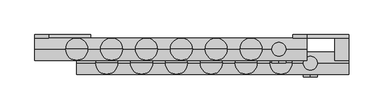
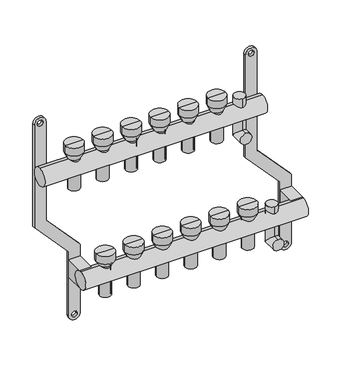
"""IFC4 building model written with IfcOpenShell, lengths in millimetres: proxy geometry."""

from ifc_helpers import new_model, si_unit, point, frame, frame_2d, origin, origin_2d, place, context, project, spatial, polyline, circle_curve, ellipse_curve, trimmed, segment, composite_curve, outline, extrude, source, transform, mapped, element, save
from ifc_brep_helpers import plane_surface, cylinder_surface, revolved_surface, advanced_brep


def mechanical_equipment_b22bc3bf(model_context):
    return source(origin(), model_context, "Body", "SolidModel", [
        extrude(outline(composite_curve([segment(trimmed(circle_curve(frame_2d((86.2845679, 370.0)), 10.0), [point((86.2845679, 380.0))], [point((86.2845679, 360.0))], False, "CARTESIAN"), True, "CONTINUOUS"), segment(polyline([(86.2845679, 360.0), (-103.7138261, 360.0), (-169.0329221, 420.0), (-287.9537524, 420.0)]), True, "CONTINUOUS"), segment(trimmed(circle_curve(frame_2d((-287.9537524, 430.0)), 10.0), [point((-287.9537524, 420.0))], [point((-287.9537524, 440.0))], False, "CARTESIAN"), True, "CONTINUOUS"), segment(polyline([(-287.9537524, 440.0), (-162.5345282, 440.0), (-97.2154321, 380.0), (86.2845679, 380.0)]), True, "CONTINUOUS")], self_intersect=False), holes=[composite_curve([segment(trimmed(circle_curve(frame_2d((86.2845679, 370.0)), 5.0), [point((86.2845679, 365.0))], [point((86.2845679, 375.0))], True, "CARTESIAN"), True, "CONTINUOUS"), segment(trimmed(circle_curve(frame_2d((86.2845679, 370.0)), 5.0), [point((86.2845679, 375.0))], [point((86.2845679, 365.0))], True, "CARTESIAN"), True, "CONTINUOUS")], self_intersect=False), composite_curve([segment(trimmed(circle_curve(frame_2d((-287.9537524, 430.0)), 5.0), [point((-287.9537524, 425.0))], [point((-287.9537524, 435.0))], True, "CARTESIAN"), True, "CONTINUOUS"), segment(trimmed(circle_curve(frame_2d((-287.9537524, 430.0)), 5.0), [point((-287.9537524, 435.0))], [point((-287.9537524, 425.0))], True, "CARTESIAN"), True, "CONTINUOUS")], self_intersect=False)]), frame((0.0, 16.0, 0.0), z_axis=(0.0, 1.0, 0.0), x_axis=(0.0, 0.0, 1.0)), (0.0, 0.0, 1.0), 4.847249),
        advanced_brep(
        [(385.0, -40.0, -250.0), (385.0, -40.0, -230.0), (385.0, -10.0, -250.0), (385.0, -30.0, -230.0), (385.0, -10.0, -175.079492), (385.0, -30.0, -175.079492)],
        [
            (0, 1, circle_curve(frame((385.0, -40.0, -240.0), z_axis=(0.0, -1.0, 0.0), x_axis=(0.0, 0.0, 1.0)), 10.0)),
            (1, 0, circle_curve(frame((385.0, -40.0, -240.0), z_axis=(0.0, -1.0, 0.0), x_axis=(0.0, 0.0, 1.0)), 10.0)),
            (0, 2),
            (2, 3, ellipse_curve(frame((385.0, -20.0, -240.0), z_axis=(0.0, -0.7071067811865475, -0.7071067811865475), x_axis=(0.0, -0.7071067811865476, 0.7071067811865474)), 14.1421356, 10.0)),
            (3, 1),
            (3, 2, ellipse_curve(frame((385.0, -20.0, -240.0), z_axis=(0.0, -0.7071067811865475, -0.7071067811865475), x_axis=(0.0, -0.7071067811865476, 0.7071067811865474)), 14.1421356, 10.0)),
            (4, 5, circle_curve(frame((385.0, -20.0, -175.079492), z_axis=(0.0, 0.0, 1.0), x_axis=(0.0, -1.0, 0.0)), 10.0)),
            (5, 4, circle_curve(frame((385.0, -20.0, -175.079492), z_axis=(0.0, 0.0, 1.0), x_axis=(0.0, -1.0, 0.0)), 10.0)),
            (2, 4),
            (5, 3),
        ],
        [
            plane_surface(frame((385.0, -40.0, -240.0), z_axis=(0.0, -1.0, 0.0), x_axis=(1.0, 0.0, 0.0))),
            cylinder_surface(frame((385.0, -40.0, -240.0), z_axis=(0.0, -1.0, 0.0), x_axis=(0.0, 0.0, 1.0)), 10.0),
            plane_surface(frame((385.0, -20.0, -175.079492), z_axis=(0.0, 0.0, 1.0), x_axis=(1.0, 0.0, 0.0))),
            cylinder_surface(frame((385.0, -20.0, -240.0), z_axis=(0.0, 0.0, -1.0), x_axis=(0.0, -1.0, 0.0)), 10.0),
        ],
        [
            (0, [[1, 2]]),
            (1, [[-1, 3, 4, 5]]),
            (1, [[-2, -5, 6, -3]]),
            (2, [[7, 8]]),
            (3, [[-4, 9, -8, 10]]),
            (3, [[-6, -10, -7, -9]]),
        ],
    ),
        advanced_brep(
        [(340.0, -20.0, -50.0), (340.0, -20.0, -30.0), (340.0, 10.0, -50.0), (340.0, -10.0, -30.0), (340.0, 10.0, 28.420508), (340.0, -10.0, 28.420508)],
        [
            (0, 1, circle_curve(frame((340.0, -20.0, -40.0), z_axis=(0.0, -1.0, 0.0), x_axis=(0.0, 0.0, 1.0)), 10.0)),
            (1, 0, circle_curve(frame((340.0, -20.0, -40.0), z_axis=(0.0, -1.0, 0.0), x_axis=(0.0, 0.0, 1.0)), 10.0)),
            (0, 2),
            (2, 3, ellipse_curve(frame((340.0, 0.0, -40.0), z_axis=(0.0, -0.7071067811865486, -0.7071067811865464), x_axis=(0.0, -0.7071067811865466, 0.7071067811865485)), 14.1421356, 10.0)),
            (3, 1),
            (3, 2, ellipse_curve(frame((340.0, 0.0, -40.0), z_axis=(0.0, -0.7071067811865486, -0.7071067811865464), x_axis=(0.0, -0.7071067811865466, 0.7071067811865485)), 14.1421356, 10.0)),
            (4, 5, circle_curve(frame((340.0, 0.0, 28.420508), z_axis=(0.0, 0.0, 1.0), x_axis=(0.0, -1.0, 0.0)), 10.0)),
            (5, 4, circle_curve(frame((340.0, 0.0, 28.420508), z_axis=(0.0, 0.0, 1.0), x_axis=(0.0, -1.0, 0.0)), 10.0)),
            (2, 4),
            (5, 3),
        ],
        [
            plane_surface(frame((340.0, -20.0, -40.0), z_axis=(0.0, -1.0, 0.0), x_axis=(1.0, 0.0, 0.0))),
            cylinder_surface(frame((340.0, -20.0, -40.0), z_axis=(0.0, -1.0, 0.0), x_axis=(0.0, 0.0, 1.0)), 10.0),
            plane_surface(frame((340.0, 0.0, 28.420508), z_axis=(0.0, 0.0, 1.0), x_axis=(1.0, 0.0, 0.0))),
            cylinder_surface(frame((340.0, 0.0, -40.0), z_axis=(0.0, 0.0, -1.0), x_axis=(0.0, -1.0, 0.0)), 10.0),
        ],
        [
            (0, [[1, 2]]),
            (1, [[-1, 3, 4, 5]]),
            (1, [[-2, -5, 6, -3]]),
            (2, [[7, 8]]),
            (3, [[-4, 9, -8, 10]]),
            (3, [[-6, -10, -7, -9]]),
        ],
    ),
        extrude(outline(composite_curve([segment(trimmed(circle_curve(frame_2d((-20.0, -200.0)), 16.0), [point((-20.0, -216.0))], [point((-20.0, -184.0))], False, "CARTESIAN"), True, "CONTINUOUS"), segment(trimmed(circle_curve(frame_2d((-20.0, -200.0)), 16.0), [point((-20.0, -184.0))], [point((-20.0, -216.0))], False, "CARTESIAN"), True, "CONTINUOUS")], self_intersect=False)), frame((50.0, 0.0, 0.0), z_axis=(1.0, 0.0, 0.0), x_axis=(0.0, 1.0, 0.0)), (0.0, 0.0, 1.0), 390.0),
        extrude(outline(composite_curve([segment(trimmed(circle_curve(origin_2d(), 16.0), [point((0.0, -16.0))], [point((0.0, 16.0))], False, "CARTESIAN"), True, "CONTINUOUS"), segment(trimmed(circle_curve(origin_2d(), 16.0), [point((0.0, 16.0))], [point((0.0, -16.0))], False, "CARTESIAN"), True, "CONTINUOUS")], self_intersect=False)), frame((-10.0, 0.0, 0.0), z_axis=(1.0, 0.0, 0.0), x_axis=(0.0, 1.0, 0.0)), (0.0, 0.0, 1.0), 390.0),
        extrude(outline(polyline([(440.0, 16.0), (440.0, -20.0), (420.0, -20.0), (420.0, 16.0), (440.0, 16.0)])), frame((0.0, 0.0, -216.0), z_axis=(0.0, 0.0, 1.0), x_axis=(1.0, 0.0, 0.0)), (0.0, 0.0, 1.0), 32.0),
        extrude(outline(polyline([(70.0, 16.0), (70.0, -20.0), (50.0, -20.0), (50.0, 16.0), (70.0, 16.0)])), frame((0.0, 0.0, -216.0), z_axis=(0.0, 0.0, 1.0), x_axis=(1.0, 0.0, 0.0)), (0.0, 0.0, 1.0), 32.0),
        advanced_brep(
        [(308.0, 0.0, -40.0), (292.0, 0.0, -40.0), (292.0, 0.0, 16.0), (308.0, 0.0, 16.0), (310.0, 0.0, -40.0), (290.0, 0.0, -40.0), (310.0, 0.0, 16.0), (290.0, 0.0, 16.0), (315.791778, 0.0, 28.420508), (284.208222, 0.0, 28.420508), (315.791778, 0.0, 42.4712727), (284.208222, 0.0, 42.4712727), (300.0, 0.0, 42.4712727), (300.0, 0.0, 16.0)],
        [
            (0, 1, circle_curve(frame((300.0, 0.0, -40.0), z_axis=(0.0, 0.0, -1.0), x_axis=(-1.0, 0.0, 0.0)), 8.0)),
            (1, 2),
            (2, 3, circle_curve(frame((300.0, 0.0, 16.0), z_axis=(0.0, 0.0, 1.0), x_axis=(-1.0, 0.0, 0.0)), 8.0)),
            (3, 0),
            (1, 0, circle_curve(frame((300.0, 0.0, -40.0), z_axis=(0.0, 0.0, -1.0), x_axis=(-1.0, 0.0, 0.0)), 8.0)),
            (3, 2, circle_curve(frame((300.0, 0.0, 16.0), z_axis=(0.0, 0.0, 1.0), x_axis=(-1.0, 0.0, 0.0)), 8.0)),
            (4, 5, circle_curve(frame((300.0, 0.0, -40.0), z_axis=(0.0, 0.0, -1.0), x_axis=(-1.0, 0.0, 0.0)), 10.0)),
            (5, 1),
            (0, 4),
            (5, 4, circle_curve(frame((300.0, 0.0, -40.0), z_axis=(0.0, 0.0, -1.0), x_axis=(-1.0, 0.0, 0.0)), 10.0)),
            (6, 7, circle_curve(frame((300.0, 0.0, 16.0), z_axis=(0.0, 0.0, -1.0), x_axis=(-1.0, 0.0, 0.0)), 10.0)),
            (7, 5),
            (4, 6),
            (7, 6, circle_curve(frame((300.0, 0.0, 16.0), z_axis=(0.0, 0.0, -1.0), x_axis=(-1.0, 0.0, 0.0)), 10.0)),
            (8, 9, circle_curve(frame((300.0, 0.0, 28.420508), z_axis=(0.0, 0.0, -1.0), x_axis=(-1.0, 0.0, 0.0)), 15.791778)),
            (9, 7),
            (6, 8),
            (9, 8, circle_curve(frame((300.0, 0.0, 28.420508), z_axis=(0.0, 0.0, -1.0), x_axis=(-1.0, 0.0, 0.0)), 15.791778)),
            (10, 11, circle_curve(frame((300.0, 0.0, 42.4712727), z_axis=(0.0, 0.0, -1.0), x_axis=(-1.0, 0.0, 0.0)), 15.791778)),
            (11, 9),
            (8, 10),
            (11, 10, circle_curve(frame((300.0, 0.0, 42.4712727), z_axis=(0.0, 0.0, -1.0), x_axis=(-1.0, 0.0, 0.0)), 15.791778)),
            (12, 11),
            (10, 12),
            (2, 13),
            (13, 3),
        ],
        [
            revolved_surface(polyline([(292.0, 0.0, 16.0), (292.0, 0.0, -40.0)]), (300.0, 0.0, 0.0), (0.0, 0.0, 1.0)),
            plane_surface(frame((300.0, 0.0, -40.0), z_axis=(0.0, 0.0, -1.0), x_axis=(-1.0, 0.0, 0.0))),
            cylinder_surface(frame((300.0, 0.0, 0.0), z_axis=(0.0, 0.0, 1.0), x_axis=(-1.0, 0.0, 0.0)), 10.0),
            revolved_surface(polyline([(290.0, 0.0, 16.0), (284.208222, 0.0, 28.420508)]), (300.0, 0.0, 0.0), (0.0, 0.0, 1.0)),
            cylinder_surface(frame((300.0, 0.0, 0.0), z_axis=(0.0, 0.0, 1.0), x_axis=(-1.0, 0.0, 0.0)), 15.791778),
            plane_surface(frame((300.0, 0.0, 42.4712727), z_axis=(0.0, 0.0, 1.0), x_axis=(-1.0, 0.0, 0.0))),
            plane_surface(frame((300.0, 0.0, 16.0), z_axis=(0.0, 0.0, -1.0), x_axis=(-1.0, 0.0, 0.0))),
        ],
        [
            (0, [[1, 2, 3, 4]]),
            (0, [[5, -4, 6, -2]]),
            (1, [[7, 8, -1, 9]]),
            (1, [[10, -9, -5, -8]]),
            (2, [[11, 12, -7, 13]]),
            (2, [[14, -13, -10, -12]]),
            (3, [[15, 16, -11, 17]]),
            (3, [[18, -17, -14, -16]]),
            (4, [[19, 20, -15, 21]]),
            (4, [[22, -21, -18, -20]]),
            (5, [[23, -19, 24]]),
            (5, [[-24, -22, -23]]),
            (6, [[-3, 25, 26]]),
            (6, [[-6, -26, -25]]),
        ],
    ),
        advanced_brep(
        [(258.0, 0.0, -40.0), (242.0, 0.0, -40.0), (242.0, 0.0, 16.0), (258.0, 0.0, 16.0), (260.0, 0.0, -40.0), (240.0, 0.0, -40.0), (260.0, 0.0, 16.0), (240.0, 0.0, 16.0), (265.791778, 0.0, 28.420508), (234.208222, 0.0, 28.420508), (265.791778, 0.0, 42.4712727), (234.208222, 0.0, 42.4712727), (250.0, 0.0, 42.4712727), (250.0, 0.0, 16.0)],
        [
            (0, 1, circle_curve(frame((250.0, 0.0, -40.0), z_axis=(0.0, 0.0, -1.0), x_axis=(-1.0, 0.0, 0.0)), 8.0)),
            (1, 2),
            (2, 3, circle_curve(frame((250.0, 0.0, 16.0), z_axis=(0.0, 0.0, 1.0), x_axis=(-1.0, 0.0, 0.0)), 8.0)),
            (3, 0),
            (1, 0, circle_curve(frame((250.0, 0.0, -40.0), z_axis=(0.0, 0.0, -1.0), x_axis=(-1.0, 0.0, 0.0)), 8.0)),
            (3, 2, circle_curve(frame((250.0, 0.0, 16.0), z_axis=(0.0, 0.0, 1.0), x_axis=(-1.0, 0.0, 0.0)), 8.0)),
            (4, 5, circle_curve(frame((250.0, 0.0, -40.0), z_axis=(0.0, 0.0, -1.0), x_axis=(-1.0, 0.0, 0.0)), 10.0)),
            (5, 1),
            (0, 4),
            (5, 4, circle_curve(frame((250.0, 0.0, -40.0), z_axis=(0.0, 0.0, -1.0), x_axis=(-1.0, 0.0, 0.0)), 10.0)),
            (6, 7, circle_curve(frame((250.0, 0.0, 16.0), z_axis=(0.0, 0.0, -1.0), x_axis=(-1.0, 0.0, 0.0)), 10.0)),
            (7, 5),
            (4, 6),
            (7, 6, circle_curve(frame((250.0, 0.0, 16.0), z_axis=(0.0, 0.0, -1.0), x_axis=(-1.0, 0.0, 0.0)), 10.0)),
            (8, 9, circle_curve(frame((250.0, 0.0, 28.420508), z_axis=(0.0, 0.0, -1.0), x_axis=(-1.0, 0.0, 0.0)), 15.791778)),
            (9, 7),
            (6, 8),
            (9, 8, circle_curve(frame((250.0, 0.0, 28.420508), z_axis=(0.0, 0.0, -1.0), x_axis=(-1.0, 0.0, 0.0)), 15.791778)),
            (10, 11, circle_curve(frame((250.0, 0.0, 42.4712727), z_axis=(0.0, 0.0, -1.0), x_axis=(-1.0, 0.0, 0.0)), 15.791778)),
            (11, 9),
            (8, 10),
            (11, 10, circle_curve(frame((250.0, 0.0, 42.4712727), z_axis=(0.0, 0.0, -1.0), x_axis=(-1.0, 0.0, 0.0)), 15.791778)),
            (12, 11),
            (10, 12),
            (2, 13),
            (13, 3),
        ],
        [
            revolved_surface(polyline([(242.0, 0.0, 16.0), (242.0, 0.0, -40.0)]), (250.0, 0.0, 0.0), (0.0, 0.0, 1.0)),
            plane_surface(frame((250.0, 0.0, -40.0), z_axis=(0.0, 0.0, -1.0), x_axis=(-1.0, 0.0, 0.0))),
            cylinder_surface(frame((250.0, 0.0, 0.0), z_axis=(0.0, 0.0, 1.0), x_axis=(-1.0, 0.0, 0.0)), 10.0),
            revolved_surface(polyline([(240.0, 0.0, 16.0), (234.208222, 0.0, 28.420508)]), (250.0, 0.0, 0.0), (0.0, 0.0, 1.0)),
            cylinder_surface(frame((250.0, 0.0, 0.0), z_axis=(0.0, 0.0, 1.0), x_axis=(-1.0, 0.0, 0.0)), 15.791778),
            plane_surface(frame((250.0, 0.0, 42.4712727), z_axis=(0.0, 0.0, 1.0), x_axis=(-1.0, 0.0, 0.0))),
            plane_surface(frame((250.0, 0.0, 16.0), z_axis=(0.0, 0.0, -1.0), x_axis=(-1.0, 0.0, 0.0))),
        ],
        [
            (0, [[1, 2, 3, 4]]),
            (0, [[5, -4, 6, -2]]),
            (1, [[7, 8, -1, 9]]),
            (1, [[10, -9, -5, -8]]),
            (2, [[11, 12, -7, 13]]),
            (2, [[14, -13, -10, -12]]),
            (3, [[15, 16, -11, 17]]),
            (3, [[18, -17, -14, -16]]),
            (4, [[19, 20, -15, 21]]),
            (4, [[22, -21, -18, -20]]),
            (5, [[23, -19, 24]]),
            (5, [[-24, -22, -23]]),
            (6, [[-3, 25, 26]]),
            (6, [[-6, -26, -25]]),
        ],
    ),
        advanced_brep(
        [(208.0, 0.0, -40.0), (192.0, 0.0, -40.0), (192.0, 0.0, 16.0), (208.0, 0.0, 16.0), (210.0, 0.0, -40.0), (190.0, 0.0, -40.0), (210.0, 0.0, 16.0), (190.0, 0.0, 16.0), (215.791778, 0.0, 28.420508), (184.208222, 0.0, 28.420508), (215.791778, 0.0, 42.4712727), (184.208222, 0.0, 42.4712727), (200.0, 0.0, 42.4712727), (200.0, 0.0, 16.0)],
        [
            (0, 1, circle_curve(frame((200.0, 0.0, -40.0), z_axis=(0.0, 0.0, -1.0), x_axis=(-1.0, 0.0, 0.0)), 8.0)),
            (1, 2),
            (2, 3, circle_curve(frame((200.0, 0.0, 16.0), z_axis=(0.0, 0.0, 1.0), x_axis=(-1.0, 0.0, 0.0)), 8.0)),
            (3, 0),
            (1, 0, circle_curve(frame((200.0, 0.0, -40.0), z_axis=(0.0, 0.0, -1.0), x_axis=(-1.0, 0.0, 0.0)), 8.0)),
            (3, 2, circle_curve(frame((200.0, 0.0, 16.0), z_axis=(0.0, 0.0, 1.0), x_axis=(-1.0, 0.0, 0.0)), 8.0)),
            (4, 5, circle_curve(frame((200.0, 0.0, -40.0), z_axis=(0.0, 0.0, -1.0), x_axis=(-1.0, 0.0, 0.0)), 10.0)),
            (5, 1),
            (0, 4),
            (5, 4, circle_curve(frame((200.0, 0.0, -40.0), z_axis=(0.0, 0.0, -1.0), x_axis=(-1.0, 0.0, 0.0)), 10.0)),
            (6, 7, circle_curve(frame((200.0, 0.0, 16.0), z_axis=(0.0, 0.0, -1.0), x_axis=(-1.0, 0.0, 0.0)), 10.0)),
            (7, 5),
            (4, 6),
            (7, 6, circle_curve(frame((200.0, 0.0, 16.0), z_axis=(0.0, 0.0, -1.0), x_axis=(-1.0, 0.0, 0.0)), 10.0)),
            (8, 9, circle_curve(frame((200.0, 0.0, 28.420508), z_axis=(0.0, 0.0, -1.0), x_axis=(-1.0, 0.0, 0.0)), 15.791778)),
            (9, 7),
            (6, 8),
            (9, 8, circle_curve(frame((200.0, 0.0, 28.420508), z_axis=(0.0, 0.0, -1.0), x_axis=(-1.0, 0.0, 0.0)), 15.791778)),
            (10, 11, circle_curve(frame((200.0, 0.0, 42.4712727), z_axis=(0.0, 0.0, -1.0), x_axis=(-1.0, 0.0, 0.0)), 15.791778)),
            (11, 9),
            (8, 10),
            (11, 10, circle_curve(frame((200.0, 0.0, 42.4712727), z_axis=(0.0, 0.0, -1.0), x_axis=(-1.0, 0.0, 0.0)), 15.791778)),
            (12, 11),
            (10, 12),
            (2, 13),
            (13, 3),
        ],
        [
            revolved_surface(polyline([(192.0, 0.0, 16.0), (192.0, 0.0, -40.0)]), (200.0, 0.0, 0.0), (0.0, 0.0, 1.0)),
            plane_surface(frame((200.0, 0.0, -40.0), z_axis=(0.0, 0.0, -1.0), x_axis=(-1.0, 0.0, 0.0))),
            cylinder_surface(frame((200.0, 0.0, 0.0), z_axis=(0.0, 0.0, 1.0), x_axis=(-1.0, 0.0, 0.0)), 10.0),
            revolved_surface(polyline([(190.0, 0.0, 16.0), (184.208222, 0.0, 28.420508)]), (200.0, 0.0, 0.0), (0.0, 0.0, 1.0)),
            cylinder_surface(frame((200.0, 0.0, 0.0), z_axis=(0.0, 0.0, 1.0), x_axis=(-1.0, 0.0, 0.0)), 15.791778),
            plane_surface(frame((200.0, 0.0, 42.4712727), z_axis=(0.0, 0.0, 1.0), x_axis=(-1.0, 0.0, 0.0))),
            plane_surface(frame((200.0, 0.0, 16.0), z_axis=(0.0, 0.0, -1.0), x_axis=(-1.0, 0.0, 0.0))),
        ],
        [
            (0, [[1, 2, 3, 4]]),
            (0, [[5, -4, 6, -2]]),
            (1, [[7, 8, -1, 9]]),
            (1, [[10, -9, -5, -8]]),
            (2, [[11, 12, -7, 13]]),
            (2, [[14, -13, -10, -12]]),
            (3, [[15, 16, -11, 17]]),
            (3, [[18, -17, -14, -16]]),
            (4, [[19, 20, -15, 21]]),
            (4, [[22, -21, -18, -20]]),
            (5, [[23, -19, 24]]),
            (5, [[-24, -22, -23]]),
            (6, [[-3, 25, 26]]),
            (6, [[-6, -26, -25]]),
        ],
    ),
        advanced_brep(
        [(158.0, 0.0, -40.0), (142.0, 0.0, -40.0), (142.0, 0.0, 16.0), (158.0, 0.0, 16.0), (160.0, 0.0, -40.0), (140.0, 0.0, -40.0), (160.0, 0.0, 16.0), (140.0, 0.0, 16.0), (165.791778, 0.0, 28.420508), (134.208222, 0.0, 28.420508), (165.791778, 0.0, 42.4712727), (134.208222, 0.0, 42.4712727), (150.0, 0.0, 42.4712727), (150.0, 0.0, 16.0)],
        [
            (0, 1, circle_curve(frame((150.0, 0.0, -40.0), z_axis=(0.0, 0.0, -1.0), x_axis=(-1.0, 0.0, 0.0)), 8.0)),
            (1, 2),
            (2, 3, circle_curve(frame((150.0, 0.0, 16.0), z_axis=(0.0, 0.0, 1.0), x_axis=(-1.0, 0.0, 0.0)), 8.0)),
            (3, 0),
            (1, 0, circle_curve(frame((150.0, 0.0, -40.0), z_axis=(0.0, 0.0, -1.0), x_axis=(-1.0, 0.0, 0.0)), 8.0)),
            (3, 2, circle_curve(frame((150.0, 0.0, 16.0), z_axis=(0.0, 0.0, 1.0), x_axis=(-1.0, 0.0, 0.0)), 8.0)),
            (4, 5, circle_curve(frame((150.0, 0.0, -40.0), z_axis=(0.0, 0.0, -1.0), x_axis=(-1.0, 0.0, 0.0)), 10.0)),
            (5, 1),
            (0, 4),
            (5, 4, circle_curve(frame((150.0, 0.0, -40.0), z_axis=(0.0, 0.0, -1.0), x_axis=(-1.0, 0.0, 0.0)), 10.0)),
            (6, 7, circle_curve(frame((150.0, 0.0, 16.0), z_axis=(0.0, 0.0, -1.0), x_axis=(-1.0, 0.0, 0.0)), 10.0)),
            (7, 5),
            (4, 6),
            (7, 6, circle_curve(frame((150.0, 0.0, 16.0), z_axis=(0.0, 0.0, -1.0), x_axis=(-1.0, 0.0, 0.0)), 10.0)),
            (8, 9, circle_curve(frame((150.0, 0.0, 28.420508), z_axis=(0.0, 0.0, -1.0), x_axis=(-1.0, 0.0, 0.0)), 15.791778)),
            (9, 7),
            (6, 8),
            (9, 8, circle_curve(frame((150.0, 0.0, 28.420508), z_axis=(0.0, 0.0, -1.0), x_axis=(-1.0, 0.0, 0.0)), 15.791778)),
            (10, 11, circle_curve(frame((150.0, 0.0, 42.4712727), z_axis=(0.0, 0.0, -1.0), x_axis=(-1.0, 0.0, 0.0)), 15.791778)),
            (11, 9),
            (8, 10),
            (11, 10, circle_curve(frame((150.0, 0.0, 42.4712727), z_axis=(0.0, 0.0, -1.0), x_axis=(-1.0, 0.0, 0.0)), 15.791778)),
            (12, 11),
            (10, 12),
            (2, 13),
            (13, 3),
        ],
        [
            revolved_surface(polyline([(142.0, 0.0, 16.0), (142.0, 0.0, -40.0)]), (150.0, 0.0, 0.0), (0.0, 0.0, 1.0)),
            plane_surface(frame((150.0, 0.0, -40.0), z_axis=(0.0, 0.0, -1.0), x_axis=(-1.0, 0.0, 0.0))),
            cylinder_surface(frame((150.0, 0.0, 0.0), z_axis=(0.0, 0.0, 1.0), x_axis=(-1.0, 0.0, 0.0)), 10.0),
            revolved_surface(polyline([(140.0, 0.0, 16.0), (134.208222, 0.0, 28.420508)]), (150.0, 0.0, 0.0), (0.0, 0.0, 1.0)),
            cylinder_surface(frame((150.0, 0.0, 0.0), z_axis=(0.0, 0.0, 1.0), x_axis=(-1.0, 0.0, 0.0)), 15.791778),
            plane_surface(frame((150.0, 0.0, 42.4712727), z_axis=(0.0, 0.0, 1.0), x_axis=(-1.0, 0.0, 0.0))),
            plane_surface(frame((150.0, 0.0, 16.0), z_axis=(0.0, 0.0, -1.0), x_axis=(-1.0, 0.0, 0.0))),
        ],
        [
            (0, [[1, 2, 3, 4]]),
            (0, [[5, -4, 6, -2]]),
            (1, [[7, 8, -1, 9]]),
            (1, [[10, -9, -5, -8]]),
            (2, [[11, 12, -7, 13]]),
            (2, [[14, -13, -10, -12]]),
            (3, [[15, 16, -11, 17]]),
            (3, [[18, -17, -14, -16]]),
            (4, [[19, 20, -15, 21]]),
            (4, [[22, -21, -18, -20]]),
            (5, [[23, -19, 24]]),
            (5, [[-24, -22, -23]]),
            (6, [[-3, 25, 26]]),
            (6, [[-6, -26, -25]]),
        ],
    ),
        advanced_brep(
        [(108.0, 0.0, -40.0), (92.0, 0.0, -40.0), (92.0, 0.0, 16.0), (108.0, 0.0, 16.0), (110.0, 0.0, -40.0), (90.0, 0.0, -40.0), (110.0, 0.0, 16.0), (90.0, 0.0, 16.0), (115.791778, 0.0, 28.420508), (84.208222, 0.0, 28.420508), (115.791778, 0.0, 42.4712727), (84.208222, 0.0, 42.4712727), (100.0, 0.0, 42.4712727), (100.0, 0.0, 16.0)],
        [
            (0, 1, circle_curve(frame((100.0, 0.0, -40.0), z_axis=(0.0, 0.0, -1.0), x_axis=(-1.0, 0.0, 0.0)), 8.0)),
            (1, 2),
            (2, 3, circle_curve(frame((100.0, 0.0, 16.0), z_axis=(0.0, 0.0, 1.0), x_axis=(-1.0, 0.0, 0.0)), 8.0)),
            (3, 0),
            (1, 0, circle_curve(frame((100.0, 0.0, -40.0), z_axis=(0.0, 0.0, -1.0), x_axis=(-1.0, 0.0, 0.0)), 8.0)),
            (3, 2, circle_curve(frame((100.0, 0.0, 16.0), z_axis=(0.0, 0.0, 1.0), x_axis=(-1.0, 0.0, 0.0)), 8.0)),
            (4, 5, circle_curve(frame((100.0, 0.0, -40.0), z_axis=(0.0, 0.0, -1.0), x_axis=(-1.0, 0.0, 0.0)), 10.0)),
            (5, 1),
            (0, 4),
            (5, 4, circle_curve(frame((100.0, 0.0, -40.0), z_axis=(0.0, 0.0, -1.0), x_axis=(-1.0, 0.0, 0.0)), 10.0)),
            (6, 7, circle_curve(frame((100.0, 0.0, 16.0), z_axis=(0.0, 0.0, -1.0), x_axis=(-1.0, 0.0, 0.0)), 10.0)),
            (7, 5),
            (4, 6),
            (7, 6, circle_curve(frame((100.0, 0.0, 16.0), z_axis=(0.0, 0.0, -1.0), x_axis=(-1.0, 0.0, 0.0)), 10.0)),
            (8, 9, circle_curve(frame((100.0, 0.0, 28.420508), z_axis=(0.0, 0.0, -1.0), x_axis=(-1.0, 0.0, 0.0)), 15.791778)),
            (9, 7),
            (6, 8),
            (9, 8, circle_curve(frame((100.0, 0.0, 28.420508), z_axis=(0.0, 0.0, -1.0), x_axis=(-1.0, 0.0, 0.0)), 15.791778)),
            (10, 11, circle_curve(frame((100.0, 0.0, 42.4712727), z_axis=(0.0, 0.0, -1.0), x_axis=(-1.0, 0.0, 0.0)), 15.791778)),
            (11, 9),
            (8, 10),
            (11, 10, circle_curve(frame((100.0, 0.0, 42.4712727), z_axis=(0.0, 0.0, -1.0), x_axis=(-1.0, 0.0, 0.0)), 15.791778)),
            (12, 11),
            (10, 12),
            (2, 13),
            (13, 3),
        ],
        [
            revolved_surface(polyline([(92.0, 0.0, 16.0), (92.0, 0.0, -40.0)]), (100.0, 0.0, 0.0), (0.0, 0.0, 1.0)),
            plane_surface(frame((100.0, 0.0, -40.0), z_axis=(0.0, 0.0, -1.0), x_axis=(-1.0, 0.0, 0.0))),
            cylinder_surface(frame((100.0, 0.0, 0.0), z_axis=(0.0, 0.0, 1.0), x_axis=(-1.0, 0.0, 0.0)), 10.0),
            revolved_surface(polyline([(90.0, 0.0, 16.0), (84.208222, 0.0, 28.420508)]), (100.0, 0.0, 0.0), (0.0, 0.0, 1.0)),
            cylinder_surface(frame((100.0, 0.0, 0.0), z_axis=(0.0, 0.0, 1.0), x_axis=(-1.0, 0.0, 0.0)), 15.791778),
            plane_surface(frame((100.0, 0.0, 42.4712727), z_axis=(0.0, 0.0, 1.0), x_axis=(-1.0, 0.0, 0.0))),
            plane_surface(frame((100.0, 0.0, 16.0), z_axis=(0.0, 0.0, -1.0), x_axis=(-1.0, 0.0, 0.0))),
        ],
        [
            (0, [[1, 2, 3, 4]]),
            (0, [[5, -4, 6, -2]]),
            (1, [[7, 8, -1, 9]]),
            (1, [[10, -9, -5, -8]]),
            (2, [[11, 12, -7, 13]]),
            (2, [[14, -13, -10, -12]]),
            (3, [[15, 16, -11, 17]]),
            (3, [[18, -17, -14, -16]]),
            (4, [[19, 20, -15, 21]]),
            (4, [[22, -21, -18, -20]]),
            (5, [[23, -19, 24]]),
            (5, [[-24, -22, -23]]),
            (6, [[-3, 25, 26]]),
            (6, [[-6, -26, -25]]),
        ],
    ),
        advanced_brep(
        [(58.0, 0.0, -40.0), (42.0, 0.0, -40.0), (42.0, 0.0, 16.0), (58.0, 0.0, 16.0), (60.0, 0.0, -40.0), (40.0, 0.0, -40.0), (60.0, 0.0, 16.0), (40.0, 0.0, 16.0), (65.791778, 0.0, 28.420508), (34.208222, 0.0, 28.420508), (65.791778, 0.0, 42.4712727), (34.208222, 0.0, 42.4712727), (50.0, 0.0, 42.4712727), (50.0, 0.0, 16.0)],
        [
            (0, 1, circle_curve(frame((50.0, 0.0, -40.0), z_axis=(0.0, 0.0, -1.0), x_axis=(-1.0, 0.0, 0.0)), 8.0)),
            (1, 2),
            (2, 3, circle_curve(frame((50.0, 0.0, 16.0), z_axis=(0.0, 0.0, 1.0), x_axis=(-1.0, 0.0, 0.0)), 8.0)),
            (3, 0),
            (1, 0, circle_curve(frame((50.0, 0.0, -40.0), z_axis=(0.0, 0.0, -1.0), x_axis=(-1.0, 0.0, 0.0)), 8.0)),
            (3, 2, circle_curve(frame((50.0, 0.0, 16.0), z_axis=(0.0, 0.0, 1.0), x_axis=(-1.0, 0.0, 0.0)), 8.0)),
            (4, 5, circle_curve(frame((50.0, 0.0, -40.0), z_axis=(0.0, 0.0, -1.0), x_axis=(-1.0, 0.0, 0.0)), 10.0)),
            (5, 1),
            (0, 4),
            (5, 4, circle_curve(frame((50.0, 0.0, -40.0), z_axis=(0.0, 0.0, -1.0), x_axis=(-1.0, 0.0, 0.0)), 10.0)),
            (6, 7, circle_curve(frame((50.0, 0.0, 16.0), z_axis=(0.0, 0.0, -1.0), x_axis=(-1.0, 0.0, 0.0)), 10.0)),
            (7, 5),
            (4, 6),
            (7, 6, circle_curve(frame((50.0, 0.0, 16.0), z_axis=(0.0, 0.0, -1.0), x_axis=(-1.0, 0.0, 0.0)), 10.0)),
            (8, 9, circle_curve(frame((50.0, 0.0, 28.420508), z_axis=(0.0, 0.0, -1.0), x_axis=(-1.0, 0.0, 0.0)), 15.791778)),
            (9, 7),
            (6, 8),
            (9, 8, circle_curve(frame((50.0, 0.0, 28.420508), z_axis=(0.0, 0.0, -1.0), x_axis=(-1.0, 0.0, 0.0)), 15.791778)),
            (10, 11, circle_curve(frame((50.0, 0.0, 42.4712727), z_axis=(0.0, 0.0, -1.0), x_axis=(-1.0, 0.0, 0.0)), 15.791778)),
            (11, 9),
            (8, 10),
            (11, 10, circle_curve(frame((50.0, 0.0, 42.4712727), z_axis=(0.0, 0.0, -1.0), x_axis=(-1.0, 0.0, 0.0)), 15.791778)),
            (12, 11),
            (10, 12),
            (2, 13),
            (13, 3),
        ],
        [
            revolved_surface(polyline([(42.0, 0.0, 16.0), (42.0, 0.0, -40.0)]), (50.0, 0.0, 0.0), (0.0, 0.0, 1.0)),
            plane_surface(frame((50.0, 0.0, -40.0), z_axis=(0.0, 0.0, -1.0), x_axis=(-1.0, 0.0, 0.0))),
            cylinder_surface(frame((50.0, 0.0, 0.0), z_axis=(0.0, 0.0, 1.0), x_axis=(-1.0, 0.0, 0.0)), 10.0),
            revolved_surface(polyline([(40.0, 0.0, 16.0), (34.208222, 0.0, 28.420508)]), (50.0, 0.0, 0.0), (0.0, 0.0, 1.0)),
            cylinder_surface(frame((50.0, 0.0, 0.0), z_axis=(0.0, 0.0, 1.0), x_axis=(-1.0, 0.0, 0.0)), 15.791778),
            plane_surface(frame((50.0, 0.0, 42.4712727), z_axis=(0.0, 0.0, 1.0), x_axis=(-1.0, 0.0, 0.0))),
            plane_surface(frame((50.0, 0.0, 16.0), z_axis=(0.0, 0.0, -1.0), x_axis=(-1.0, 0.0, 0.0))),
        ],
        [
            (0, [[1, 2, 3, 4]]),
            (0, [[5, -4, 6, -2]]),
            (1, [[7, 8, -1, 9]]),
            (1, [[10, -9, -5, -8]]),
            (2, [[11, 12, -7, 13]]),
            (2, [[14, -13, -10, -12]]),
            (3, [[15, 16, -11, 17]]),
            (3, [[18, -17, -14, -16]]),
            (4, [[19, 20, -15, 21]]),
            (4, [[22, -21, -18, -20]]),
            (5, [[23, -19, 24]]),
            (5, [[-24, -22, -23]]),
            (6, [[-3, 25, 26]]),
            (6, [[-6, -26, -25]]),
        ],
    ),
        advanced_brep(
        [(351.0, -20.0, -240.0), (335.0, -20.0, -240.0), (335.0, -20.0, -187.5), (351.0, -20.0, -187.5), (353.0, -20.0, -240.0), (333.0, -20.0, -240.0), (353.0, -20.0, -187.5), (333.0, -20.0, -187.5), (358.791778, -20.0, -175.079492), (327.208222, -20.0, -175.079492), (358.791778, -20.0, -161.0287273), (327.208222, -20.0, -161.0287273), (343.0, -20.0, -161.0287273), (343.0, -20.0, -187.5)],
        [
            (0, 1, circle_curve(frame((343.0, -20.0, -240.0), z_axis=(0.0, 0.0, -1.0), x_axis=(-1.0, 0.0, 0.0)), 8.0)),
            (1, 2),
            (2, 3, circle_curve(frame((343.0, -20.0, -187.5), z_axis=(0.0, 0.0, 1.0), x_axis=(-1.0, 0.0, 0.0)), 8.0)),
            (3, 0),
            (1, 0, circle_curve(frame((343.0, -20.0, -240.0), z_axis=(0.0, 0.0, -1.0), x_axis=(-1.0, 0.0, 0.0)), 8.0)),
            (3, 2, circle_curve(frame((343.0, -20.0, -187.5), z_axis=(0.0, 0.0, 1.0), x_axis=(-1.0, 0.0, 0.0)), 8.0)),
            (4, 5, circle_curve(frame((343.0, -20.0, -240.0), z_axis=(0.0, 0.0, -1.0), x_axis=(-1.0, 0.0, 0.0)), 10.0)),
            (5, 1),
            (0, 4),
            (5, 4, circle_curve(frame((343.0, -20.0, -240.0), z_axis=(0.0, 0.0, -1.0), x_axis=(-1.0, 0.0, 0.0)), 10.0)),
            (6, 7, circle_curve(frame((343.0, -20.0, -187.5), z_axis=(0.0, 0.0, -1.0), x_axis=(-1.0, 0.0, 0.0)), 10.0)),
            (7, 5),
            (4, 6),
            (7, 6, circle_curve(frame((343.0, -20.0, -187.5), z_axis=(0.0, 0.0, -1.0), x_axis=(-1.0, 0.0, 0.0)), 10.0)),
            (8, 9, circle_curve(frame((343.0, -20.0, -175.079492), z_axis=(0.0, 0.0, -1.0), x_axis=(-1.0, 0.0, 0.0)), 15.791778)),
            (9, 7),
            (6, 8),
            (9, 8, circle_curve(frame((343.0, -20.0, -175.079492), z_axis=(0.0, 0.0, -1.0), x_axis=(-1.0, 0.0, 0.0)), 15.791778)),
            (10, 11, circle_curve(frame((343.0, -20.0, -161.0287273), z_axis=(0.0, 0.0, -1.0), x_axis=(-1.0, 0.0, 0.0)), 15.791778)),
            (11, 9),
            (8, 10),
            (11, 10, circle_curve(frame((343.0, -20.0, -161.0287273), z_axis=(0.0, 0.0, -1.0), x_axis=(-1.0, 0.0, 0.0)), 15.791778)),
            (12, 11),
            (10, 12),
            (2, 13),
            (13, 3),
        ],
        [
            revolved_surface(polyline([(335.0, -20.0, -187.5), (335.0, -20.0, -240.0)]), (343.0, -20.0, -200.0), (0.0, 0.0, 1.0)),
            plane_surface(frame((343.0, -20.0, -240.0), z_axis=(0.0, 0.0, -1.0), x_axis=(-1.0, 0.0, 0.0))),
            cylinder_surface(frame((343.0, -20.0, -200.0), z_axis=(0.0, 0.0, 1.0), x_axis=(-1.0, 0.0, 0.0)), 10.0),
            revolved_surface(polyline([(333.0, -20.0, -187.5), (327.208222, -20.0, -175.079492)]), (343.0, -20.0, -200.0), (0.0, 0.0, 1.0)),
            cylinder_surface(frame((343.0, -20.0, -200.0), z_axis=(0.0, 0.0, 1.0), x_axis=(-1.0, 0.0, 0.0)), 15.791778),
            plane_surface(frame((343.0, -20.0, -161.0287273), z_axis=(0.0, 0.0, 1.0), x_axis=(-1.0, 0.0, 0.0))),
            plane_surface(frame((343.0, -20.0, -187.5), z_axis=(0.0, 0.0, -1.0), x_axis=(-1.0, 0.0, 0.0))),
        ],
        [
            (0, [[1, 2, 3, 4]]),
            (0, [[5, -4, 6, -2]]),
            (1, [[7, 8, -1, 9]]),
            (1, [[10, -9, -5, -8]]),
            (2, [[11, 12, -7, 13]]),
            (2, [[14, -13, -10, -12]]),
            (3, [[15, 16, -11, 17]]),
            (3, [[18, -17, -14, -16]]),
            (4, [[19, 20, -15, 21]]),
            (4, [[22, -21, -18, -20]]),
            (5, [[23, -19, 24]]),
            (5, [[-24, -22, -23]]),
            (6, [[-3, 25, 26]]),
            (6, [[-6, -26, -25]]),
        ],
    ),
        advanced_brep(
        [(301.0, -20.0, -240.0), (285.0, -20.0, -240.0), (285.0, -20.0, -187.5), (301.0, -20.0, -187.5), (303.0, -20.0, -240.0), (283.0, -20.0, -240.0), (303.0, -20.0, -187.5), (283.0, -20.0, -187.5), (308.791778, -20.0, -175.079492), (277.208222, -20.0, -175.079492), (308.791778, -20.0, -161.0287273), (277.208222, -20.0, -161.0287273), (293.0, -20.0, -161.0287273), (293.0, -20.0, -187.5)],
        [
            (0, 1, circle_curve(frame((293.0, -20.0, -240.0), z_axis=(0.0, 0.0, -1.0), x_axis=(-1.0, 0.0, 0.0)), 8.0)),
            (1, 2),
            (2, 3, circle_curve(frame((293.0, -20.0, -187.5), z_axis=(0.0, 0.0, 1.0), x_axis=(-1.0, 0.0, 0.0)), 8.0)),
            (3, 0),
            (1, 0, circle_curve(frame((293.0, -20.0, -240.0), z_axis=(0.0, 0.0, -1.0), x_axis=(-1.0, 0.0, 0.0)), 8.0)),
            (3, 2, circle_curve(frame((293.0, -20.0, -187.5), z_axis=(0.0, 0.0, 1.0), x_axis=(-1.0, 0.0, 0.0)), 8.0)),
            (4, 5, circle_curve(frame((293.0, -20.0, -240.0), z_axis=(0.0, 0.0, -1.0), x_axis=(-1.0, 0.0, 0.0)), 10.0)),
            (5, 1),
            (0, 4),
            (5, 4, circle_curve(frame((293.0, -20.0, -240.0), z_axis=(0.0, 0.0, -1.0), x_axis=(-1.0, 0.0, 0.0)), 10.0)),
            (6, 7, circle_curve(frame((293.0, -20.0, -187.5), z_axis=(0.0, 0.0, -1.0), x_axis=(-1.0, 0.0, 0.0)), 10.0)),
            (7, 5),
            (4, 6),
            (7, 6, circle_curve(frame((293.0, -20.0, -187.5), z_axis=(0.0, 0.0, -1.0), x_axis=(-1.0, 0.0, 0.0)), 10.0)),
            (8, 9, circle_curve(frame((293.0, -20.0, -175.079492), z_axis=(0.0, 0.0, -1.0), x_axis=(-1.0, 0.0, 0.0)), 15.791778)),
            (9, 7),
            (6, 8),
            (9, 8, circle_curve(frame((293.0, -20.0, -175.079492), z_axis=(0.0, 0.0, -1.0), x_axis=(-1.0, 0.0, 0.0)), 15.791778)),
            (10, 11, circle_curve(frame((293.0, -20.0, -161.0287273), z_axis=(0.0, 0.0, -1.0), x_axis=(-1.0, 0.0, 0.0)), 15.791778)),
            (11, 9),
            (8, 10),
            (11, 10, circle_curve(frame((293.0, -20.0, -161.0287273), z_axis=(0.0, 0.0, -1.0), x_axis=(-1.0, 0.0, 0.0)), 15.791778)),
            (12, 11),
            (10, 12),
            (2, 13),
            (13, 3),
        ],
        [
            revolved_surface(polyline([(285.0, -20.0, -187.5), (285.0, -20.0, -240.0)]), (293.0, -20.0, -200.0), (0.0, 0.0, 1.0)),
            plane_surface(frame((293.0, -20.0, -240.0), z_axis=(0.0, 0.0, -1.0), x_axis=(-1.0, 0.0, 0.0))),
            cylinder_surface(frame((293.0, -20.0, -200.0), z_axis=(0.0, 0.0, 1.0), x_axis=(-1.0, 0.0, 0.0)), 10.0),
            revolved_surface(polyline([(283.0, -20.0, -187.5), (277.208222, -20.0, -175.079492)]), (293.0, -20.0, -200.0), (0.0, 0.0, 1.0)),
            cylinder_surface(frame((293.0, -20.0, -200.0), z_axis=(0.0, 0.0, 1.0), x_axis=(-1.0, 0.0, 0.0)), 15.791778),
            plane_surface(frame((293.0, -20.0, -161.0287273), z_axis=(0.0, 0.0, 1.0), x_axis=(-1.0, 0.0, 0.0))),
            plane_surface(frame((293.0, -20.0, -187.5), z_axis=(0.0, 0.0, -1.0), x_axis=(-1.0, 0.0, 0.0))),
        ],
        [
            (0, [[1, 2, 3, 4]]),
            (0, [[5, -4, 6, -2]]),
            (1, [[7, 8, -1, 9]]),
            (1, [[10, -9, -5, -8]]),
            (2, [[11, 12, -7, 13]]),
            (2, [[14, -13, -10, -12]]),
            (3, [[15, 16, -11, 17]]),
            (3, [[18, -17, -14, -16]]),
            (4, [[19, 20, -15, 21]]),
            (4, [[22, -21, -18, -20]]),
            (5, [[23, -19, 24]]),
            (5, [[-24, -22, -23]]),
            (6, [[-3, 25, 26]]),
            (6, [[-6, -26, -25]]),
        ],
    ),
        advanced_brep(
        [(251.0, -20.0, -240.0), (235.0, -20.0, -240.0), (235.0, -20.0, -187.5), (251.0, -20.0, -187.5), (253.0, -20.0, -240.0), (233.0, -20.0, -240.0), (253.0, -20.0, -187.5), (233.0, -20.0, -187.5), (258.791778, -20.0, -175.079492), (227.208222, -20.0, -175.079492), (258.791778, -20.0, -161.0287273), (227.208222, -20.0, -161.0287273), (243.0, -20.0, -161.0287273), (243.0, -20.0, -187.5)],
        [
            (0, 1, circle_curve(frame((243.0, -20.0, -240.0), z_axis=(0.0, 0.0, -1.0), x_axis=(-1.0, 0.0, 0.0)), 8.0)),
            (1, 2),
            (2, 3, circle_curve(frame((243.0, -20.0, -187.5), z_axis=(0.0, 0.0, 1.0), x_axis=(-1.0, 0.0, 0.0)), 8.0)),
            (3, 0),
            (1, 0, circle_curve(frame((243.0, -20.0, -240.0), z_axis=(0.0, 0.0, -1.0), x_axis=(-1.0, 0.0, 0.0)), 8.0)),
            (3, 2, circle_curve(frame((243.0, -20.0, -187.5), z_axis=(0.0, 0.0, 1.0), x_axis=(-1.0, 0.0, 0.0)), 8.0)),
            (4, 5, circle_curve(frame((243.0, -20.0, -240.0), z_axis=(0.0, 0.0, -1.0), x_axis=(-1.0, 0.0, 0.0)), 10.0)),
            (5, 1),
            (0, 4),
            (5, 4, circle_curve(frame((243.0, -20.0, -240.0), z_axis=(0.0, 0.0, -1.0), x_axis=(-1.0, 0.0, 0.0)), 10.0)),
            (6, 7, circle_curve(frame((243.0, -20.0, -187.5), z_axis=(0.0, 0.0, -1.0), x_axis=(-1.0, 0.0, 0.0)), 10.0)),
            (7, 5),
            (4, 6),
            (7, 6, circle_curve(frame((243.0, -20.0, -187.5), z_axis=(0.0, 0.0, -1.0), x_axis=(-1.0, 0.0, 0.0)), 10.0)),
            (8, 9, circle_curve(frame((243.0, -20.0, -175.079492), z_axis=(0.0, 0.0, -1.0), x_axis=(-1.0, 0.0, 0.0)), 15.791778)),
            (9, 7),
            (6, 8),
            (9, 8, circle_curve(frame((243.0, -20.0, -175.079492), z_axis=(0.0, 0.0, -1.0), x_axis=(-1.0, 0.0, 0.0)), 15.791778)),
            (10, 11, circle_curve(frame((243.0, -20.0, -161.0287273), z_axis=(0.0, 0.0, -1.0), x_axis=(-1.0, 0.0, 0.0)), 15.791778)),
            (11, 9),
            (8, 10),
            (11, 10, circle_curve(frame((243.0, -20.0, -161.0287273), z_axis=(0.0, 0.0, -1.0), x_axis=(-1.0, 0.0, 0.0)), 15.791778)),
            (12, 11),
            (10, 12),
            (2, 13),
            (13, 3),
        ],
        [
            revolved_surface(polyline([(235.0, -20.0, -187.5), (235.0, -20.0, -240.0)]), (243.0, -20.0, -200.0), (0.0, 0.0, 1.0)),
            plane_surface(frame((243.0, -20.0, -240.0), z_axis=(0.0, 0.0, -1.0), x_axis=(-1.0, 0.0, 0.0))),
            cylinder_surface(frame((243.0, -20.0, -200.0), z_axis=(0.0, 0.0, 1.0), x_axis=(-1.0, 0.0, 0.0)), 10.0),
            revolved_surface(polyline([(233.0, -20.0, -187.5), (227.208222, -20.0, -175.079492)]), (243.0, -20.0, -200.0), (0.0, 0.0, 1.0)),
            cylinder_surface(frame((243.0, -20.0, -200.0), z_axis=(0.0, 0.0, 1.0), x_axis=(-1.0, 0.0, 0.0)), 15.791778),
            plane_surface(frame((243.0, -20.0, -161.0287273), z_axis=(0.0, 0.0, 1.0), x_axis=(-1.0, 0.0, 0.0))),
            plane_surface(frame((243.0, -20.0, -187.5), z_axis=(0.0, 0.0, -1.0), x_axis=(-1.0, 0.0, 0.0))),
        ],
        [
            (0, [[1, 2, 3, 4]]),
            (0, [[5, -4, 6, -2]]),
            (1, [[7, 8, -1, 9]]),
            (1, [[10, -9, -5, -8]]),
            (2, [[11, 12, -7, 13]]),
            (2, [[14, -13, -10, -12]]),
            (3, [[15, 16, -11, 17]]),
            (3, [[18, -17, -14, -16]]),
            (4, [[19, 20, -15, 21]]),
            (4, [[22, -21, -18, -20]]),
            (5, [[23, -19, 24]]),
            (5, [[-24, -22, -23]]),
            (6, [[-3, 25, 26]]),
            (6, [[-6, -26, -25]]),
        ],
    ),
        advanced_brep(
        [(201.0, -20.0, -240.0), (185.0, -20.0, -240.0), (185.0, -20.0, -187.5), (201.0, -20.0, -187.5), (203.0, -20.0, -240.0), (183.0, -20.0, -240.0), (203.0, -20.0, -187.5), (183.0, -20.0, -187.5), (208.791778, -20.0, -175.079492), (177.208222, -20.0, -175.079492), (208.791778, -20.0, -161.0287273), (177.208222, -20.0, -161.0287273), (193.0, -20.0, -161.0287273), (193.0, -20.0, -187.5)],
        [
            (0, 1, circle_curve(frame((193.0, -20.0, -240.0), z_axis=(0.0, 0.0, -1.0), x_axis=(-1.0, 0.0, 0.0)), 8.0)),
            (1, 2),
            (2, 3, circle_curve(frame((193.0, -20.0, -187.5), z_axis=(0.0, 0.0, 1.0), x_axis=(-1.0, 0.0, 0.0)), 8.0)),
            (3, 0),
            (1, 0, circle_curve(frame((193.0, -20.0, -240.0), z_axis=(0.0, 0.0, -1.0), x_axis=(-1.0, 0.0, 0.0)), 8.0)),
            (3, 2, circle_curve(frame((193.0, -20.0, -187.5), z_axis=(0.0, 0.0, 1.0), x_axis=(-1.0, 0.0, 0.0)), 8.0)),
            (4, 5, circle_curve(frame((193.0, -20.0, -240.0), z_axis=(0.0, 0.0, -1.0), x_axis=(-1.0, 0.0, 0.0)), 10.0)),
            (5, 1),
            (0, 4),
            (5, 4, circle_curve(frame((193.0, -20.0, -240.0), z_axis=(0.0, 0.0, -1.0), x_axis=(-1.0, 0.0, 0.0)), 10.0)),
            (6, 7, circle_curve(frame((193.0, -20.0, -187.5), z_axis=(0.0, 0.0, -1.0), x_axis=(-1.0, 0.0, 0.0)), 10.0)),
            (7, 5),
            (4, 6),
            (7, 6, circle_curve(frame((193.0, -20.0, -187.5), z_axis=(0.0, 0.0, -1.0), x_axis=(-1.0, 0.0, 0.0)), 10.0)),
            (8, 9, circle_curve(frame((193.0, -20.0, -175.079492), z_axis=(0.0, 0.0, -1.0), x_axis=(-1.0, 0.0, 0.0)), 15.791778)),
            (9, 7),
            (6, 8),
            (9, 8, circle_curve(frame((193.0, -20.0, -175.079492), z_axis=(0.0, 0.0, -1.0), x_axis=(-1.0, 0.0, 0.0)), 15.791778)),
            (10, 11, circle_curve(frame((193.0, -20.0, -161.0287273), z_axis=(0.0, 0.0, -1.0), x_axis=(-1.0, 0.0, 0.0)), 15.791778)),
            (11, 9),
            (8, 10),
            (11, 10, circle_curve(frame((193.0, -20.0, -161.0287273), z_axis=(0.0, 0.0, -1.0), x_axis=(-1.0, 0.0, 0.0)), 15.791778)),
            (12, 11),
            (10, 12),
            (2, 13),
            (13, 3),
        ],
        [
            revolved_surface(polyline([(185.0, -20.0, -187.5), (185.0, -20.0, -240.0)]), (193.0, -20.0, -200.0), (0.0, 0.0, 1.0)),
            plane_surface(frame((193.0, -20.0, -240.0), z_axis=(0.0, 0.0, -1.0), x_axis=(-1.0, 0.0, 0.0))),
            cylinder_surface(frame((193.0, -20.0, -200.0), z_axis=(0.0, 0.0, 1.0), x_axis=(-1.0, 0.0, 0.0)), 10.0),
            revolved_surface(polyline([(183.0, -20.0, -187.5), (177.208222, -20.0, -175.079492)]), (193.0, -20.0, -200.0), (0.0, 0.0, 1.0)),
            cylinder_surface(frame((193.0, -20.0, -200.0), z_axis=(0.0, 0.0, 1.0), x_axis=(-1.0, 0.0, 0.0)), 15.791778),
            plane_surface(frame((193.0, -20.0, -161.0287273), z_axis=(0.0, 0.0, 1.0), x_axis=(-1.0, 0.0, 0.0))),
            plane_surface(frame((193.0, -20.0, -187.5), z_axis=(0.0, 0.0, -1.0), x_axis=(-1.0, 0.0, 0.0))),
        ],
        [
            (0, [[1, 2, 3, 4]]),
            (0, [[5, -4, 6, -2]]),
            (1, [[7, 8, -1, 9]]),
            (1, [[10, -9, -5, -8]]),
            (2, [[11, 12, -7, 13]]),
            (2, [[14, -13, -10, -12]]),
            (3, [[15, 16, -11, 17]]),
            (3, [[18, -17, -14, -16]]),
            (4, [[19, 20, -15, 21]]),
            (4, [[22, -21, -18, -20]]),
            (5, [[23, -19, 24]]),
            (5, [[-24, -22, -23]]),
            (6, [[-3, 25, 26]]),
            (6, [[-6, -26, -25]]),
        ],
    ),
        advanced_brep(
        [(151.0, -20.0, -240.0), (135.0, -20.0, -240.0), (135.0, -20.0, -187.5), (151.0, -20.0, -187.5), (153.0, -20.0, -240.0), (133.0, -20.0, -240.0), (153.0, -20.0, -187.5), (133.0, -20.0, -187.5), (158.791778, -20.0, -175.079492), (127.208222, -20.0, -175.079492), (158.791778, -20.0, -161.0287273), (127.208222, -20.0, -161.0287273), (143.0, -20.0, -161.0287273), (143.0, -20.0, -187.5)],
        [
            (0, 1, circle_curve(frame((143.0, -20.0, -240.0), z_axis=(0.0, 0.0, -1.0), x_axis=(-1.0, 0.0, 0.0)), 8.0)),
            (1, 2),
            (2, 3, circle_curve(frame((143.0, -20.0, -187.5), z_axis=(0.0, 0.0, 1.0), x_axis=(-1.0, 0.0, 0.0)), 8.0)),
            (3, 0),
            (1, 0, circle_curve(frame((143.0, -20.0, -240.0), z_axis=(0.0, 0.0, -1.0), x_axis=(-1.0, 0.0, 0.0)), 8.0)),
            (3, 2, circle_curve(frame((143.0, -20.0, -187.5), z_axis=(0.0, 0.0, 1.0), x_axis=(-1.0, 0.0, 0.0)), 8.0)),
            (4, 5, circle_curve(frame((143.0, -20.0, -240.0), z_axis=(0.0, 0.0, -1.0), x_axis=(-1.0, 0.0, 0.0)), 10.0)),
            (5, 1),
            (0, 4),
            (5, 4, circle_curve(frame((143.0, -20.0, -240.0), z_axis=(0.0, 0.0, -1.0), x_axis=(-1.0, 0.0, 0.0)), 10.0)),
            (6, 7, circle_curve(frame((143.0, -20.0, -187.5), z_axis=(0.0, 0.0, -1.0), x_axis=(-1.0, 0.0, 0.0)), 10.0)),
            (7, 5),
            (4, 6),
            (7, 6, circle_curve(frame((143.0, -20.0, -187.5), z_axis=(0.0, 0.0, -1.0), x_axis=(-1.0, 0.0, 0.0)), 10.0)),
            (8, 9, circle_curve(frame((143.0, -20.0, -175.079492), z_axis=(0.0, 0.0, -1.0), x_axis=(-1.0, 0.0, 0.0)), 15.791778)),
            (9, 7),
            (6, 8),
            (9, 8, circle_curve(frame((143.0, -20.0, -175.079492), z_axis=(0.0, 0.0, -1.0), x_axis=(-1.0, 0.0, 0.0)), 15.791778)),
            (10, 11, circle_curve(frame((143.0, -20.0, -161.0287273), z_axis=(0.0, 0.0, -1.0), x_axis=(-1.0, 0.0, 0.0)), 15.791778)),
            (11, 9),
            (8, 10),
            (11, 10, circle_curve(frame((143.0, -20.0, -161.0287273), z_axis=(0.0, 0.0, -1.0), x_axis=(-1.0, 0.0, 0.0)), 15.791778)),
            (12, 11),
            (10, 12),
            (2, 13),
            (13, 3),
        ],
        [
            revolved_surface(polyline([(135.0, -20.0, -187.5), (135.0, -20.0, -240.0)]), (143.0, -20.0, -200.0), (0.0, 0.0, 1.0)),
            plane_surface(frame((143.0, -20.0, -240.0), z_axis=(0.0, 0.0, -1.0), x_axis=(-1.0, 0.0, 0.0))),
            cylinder_surface(frame((143.0, -20.0, -200.0), z_axis=(0.0, 0.0, 1.0), x_axis=(-1.0, 0.0, 0.0)), 10.0),
            revolved_surface(polyline([(133.0, -20.0, -187.5), (127.208222, -20.0, -175.079492)]), (143.0, -20.0, -200.0), (0.0, 0.0, 1.0)),
            cylinder_surface(frame((143.0, -20.0, -200.0), z_axis=(0.0, 0.0, 1.0), x_axis=(-1.0, 0.0, 0.0)), 15.791778),
            plane_surface(frame((143.0, -20.0, -161.0287273), z_axis=(0.0, 0.0, 1.0), x_axis=(-1.0, 0.0, 0.0))),
            plane_surface(frame((143.0, -20.0, -187.5), z_axis=(0.0, 0.0, -1.0), x_axis=(-1.0, 0.0, 0.0))),
        ],
        [
            (0, [[1, 2, 3, 4]]),
            (0, [[5, -4, 6, -2]]),
            (1, [[7, 8, -1, 9]]),
            (1, [[10, -9, -5, -8]]),
            (2, [[11, 12, -7, 13]]),
            (2, [[14, -13, -10, -12]]),
            (3, [[15, 16, -11, 17]]),
            (3, [[18, -17, -14, -16]]),
            (4, [[19, 20, -15, 21]]),
            (4, [[22, -21, -18, -20]]),
            (5, [[23, -19, 24]]),
            (5, [[-24, -22, -23]]),
            (6, [[-3, 25, 26]]),
            (6, [[-6, -26, -25]]),
        ],
    ),
        advanced_brep(
        [(101.0, -20.0, -240.0), (85.0, -20.0, -240.0), (85.0, -20.0, -184.0), (101.0, -20.0, -184.0), (103.0, -20.0, -240.0), (83.0, -20.0, -240.0), (103.0, -20.0, -184.0), (83.0, -20.0, -184.0), (108.791778, -20.0, -175.079492), (77.208222, -20.0, -175.079492), (108.791778, -20.0, -161.0287273), (77.208222, -20.0, -161.0287273), (93.0, -20.0, -161.0287273), (93.0, -20.0, -184.0)],
        [
            (0, 1, circle_curve(frame((93.0, -20.0, -240.0), z_axis=(0.0, 0.0, -1.0), x_axis=(-1.0, 0.0, 0.0)), 8.0)),
            (1, 2),
            (2, 3, circle_curve(frame((93.0, -20.0, -184.0), z_axis=(0.0, 0.0, 1.0), x_axis=(-1.0, 0.0, 0.0)), 8.0)),
            (3, 0),
            (1, 0, circle_curve(frame((93.0, -20.0, -240.0), z_axis=(0.0, 0.0, -1.0), x_axis=(-1.0, 0.0, 0.0)), 8.0)),
            (3, 2, circle_curve(frame((93.0, -20.0, -184.0), z_axis=(0.0, 0.0, 1.0), x_axis=(-1.0, 0.0, 0.0)), 8.0)),
            (4, 5, circle_curve(frame((93.0, -20.0, -240.0), z_axis=(0.0, 0.0, -1.0), x_axis=(-1.0, 0.0, 0.0)), 10.0)),
            (5, 1),
            (0, 4),
            (5, 4, circle_curve(frame((93.0, -20.0, -240.0), z_axis=(0.0, 0.0, -1.0), x_axis=(-1.0, 0.0, 0.0)), 10.0)),
            (6, 7, circle_curve(frame((93.0, -20.0, -184.0), z_axis=(0.0, 0.0, -1.0), x_axis=(-1.0, 0.0, 0.0)), 10.0)),
            (7, 5),
            (4, 6),
            (7, 6, circle_curve(frame((93.0, -20.0, -184.0), z_axis=(0.0, 0.0, -1.0), x_axis=(-1.0, 0.0, 0.0)), 10.0)),
            (8, 9, circle_curve(frame((93.0, -20.0, -175.079492), z_axis=(0.0, 0.0, -1.0), x_axis=(-1.0, 0.0, 0.0)), 15.791778)),
            (9, 7),
            (6, 8),
            (9, 8, circle_curve(frame((93.0, -20.0, -175.079492), z_axis=(0.0, 0.0, -1.0), x_axis=(-1.0, 0.0, 0.0)), 15.791778)),
            (10, 11, circle_curve(frame((93.0, -20.0, -161.0287273), z_axis=(0.0, 0.0, -1.0), x_axis=(-1.0, 0.0, 0.0)), 15.791778)),
            (11, 9),
            (8, 10),
            (11, 10, circle_curve(frame((93.0, -20.0, -161.0287273), z_axis=(0.0, 0.0, -1.0), x_axis=(-1.0, 0.0, 0.0)), 15.791778)),
            (12, 11),
            (10, 12),
            (2, 13),
            (13, 3),
        ],
        [
            revolved_surface(polyline([(85.0, -20.0, -184.0), (85.0, -20.0, -240.0)]), (93.0, -20.0, -200.0), (0.0, 0.0, 1.0)),
            plane_surface(frame((93.0, -20.0, -240.0), z_axis=(0.0, 0.0, -1.0), x_axis=(-1.0, 0.0, 0.0))),
            cylinder_surface(frame((93.0, -20.0, -200.0), z_axis=(0.0, 0.0, 1.0), x_axis=(-1.0, 0.0, 0.0)), 10.0),
            revolved_surface(polyline([(83.0, -20.0, -184.0), (77.208222, -20.0, -175.079492)]), (93.0, -20.0, -200.0), (0.0, 0.0, 1.0)),
            cylinder_surface(frame((93.0, -20.0, -200.0), z_axis=(0.0, 0.0, 1.0), x_axis=(-1.0, 0.0, 0.0)), 15.791778),
            plane_surface(frame((93.0, -20.0, -161.0287273), z_axis=(0.0, 0.0, 1.0), x_axis=(-1.0, 0.0, 0.0))),
            plane_surface(frame((93.0, -20.0, -184.0), z_axis=(0.0, 0.0, -1.0), x_axis=(-1.0, 0.0, 0.0))),
        ],
        [
            (0, [[1, 2, 3, 4]]),
            (0, [[5, -4, 6, -2]]),
            (1, [[7, 8, -1, 9]]),
            (1, [[10, -9, -5, -8]]),
            (2, [[11, 12, -7, 13]]),
            (2, [[14, -13, -10, -12]]),
            (3, [[15, 16, -11, 17]]),
            (3, [[18, -17, -14, -16]]),
            (4, [[19, 20, -15, 21]]),
            (4, [[22, -21, -18, -20]]),
            (5, [[23, -19, 24]]),
            (5, [[-24, -22, -23]]),
            (6, [[-3, 25, 26]]),
            (6, [[-6, -26, -25]]),
        ],
    ),
        extrude(outline(composite_curve([segment(trimmed(circle_curve(frame_2d((86.2845679, 0.0)), 10.0), [point((86.2845679, 10.0))], [point((86.2845679, -10.0))], False, "CARTESIAN"), True, "CONTINUOUS"), segment(polyline([(86.2845679, -10.0), (-103.7138261, -10.0), (-169.0329221, 50.0), (-287.9537524, 50.0)]), True, "CONTINUOUS"), segment(trimmed(circle_curve(frame_2d((-287.9537524, 60.0)), 10.0), [point((-287.9537524, 50.0))], [point((-287.9537524, 70.0))], False, "CARTESIAN"), True, "CONTINUOUS"), segment(polyline([(-287.9537524, 70.0), (-162.5345282, 70.0), (-97.2154321, 10.0), (86.2845679, 10.0)]), True, "CONTINUOUS")], self_intersect=False), holes=[composite_curve([segment(trimmed(circle_curve(frame_2d((86.2845679, 0.0)), 5.0), [point((86.2845679, -5.0))], [point((86.2845679, 5.0))], True, "CARTESIAN"), True, "CONTINUOUS"), segment(trimmed(circle_curve(frame_2d((86.2845679, 0.0)), 5.0), [point((86.2845679, 5.0))], [point((86.2845679, -5.0))], True, "CARTESIAN"), True, "CONTINUOUS")], self_intersect=False), composite_curve([segment(trimmed(circle_curve(frame_2d((-287.9537524, 60.0)), 5.0), [point((-287.9537524, 55.0))], [point((-287.9537524, 65.0))], True, "CARTESIAN"), True, "CONTINUOUS"), segment(trimmed(circle_curve(frame_2d((-287.9537524, 60.0)), 5.0), [point((-287.9537524, 65.0))], [point((-287.9537524, 55.0))], True, "CARTESIAN"), True, "CONTINUOUS")], self_intersect=False)]), frame((0.0, 16.0, 0.0), z_axis=(0.0, 1.0, 0.0), x_axis=(0.0, 0.0, 1.0)), (0.0, 0.0, 1.0), 4.847249),
    ])


if __name__ == "__main__":
    model = new_model("IFC4")
    model_context = context("Model", 3, world=origin())
    ifc_project = project(units=[si_unit("LENGTHUNIT", "METRE", prefix="MILLI")], contexts=[model_context])
    site = spatial("IfcSite", under=ifc_project)
    building = spatial("IfcBuilding", under=site)
    placement = place(None, origin())
    mechanical_equipment_shape = mechanical_equipment_b22bc3bf(model_context)
    element("IfcBuildingElementProxy", 1, Name="Mechanical Equipment", at=placement, inside=building, context=model_context, shape_type="MappedRepresentation", body=[
        mapped(mechanical_equipment_shape, transform((0.0, 0.0, 0.0), x_axis=(1.0, 0.0, 0.0), y_axis=(0.0, 1.0, 0.0), z_axis=(0.0, 0.0, 1.0))),
    ])
    save(model, "model.ifc")
